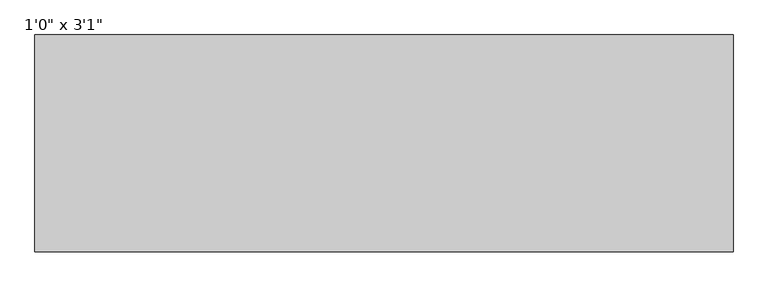
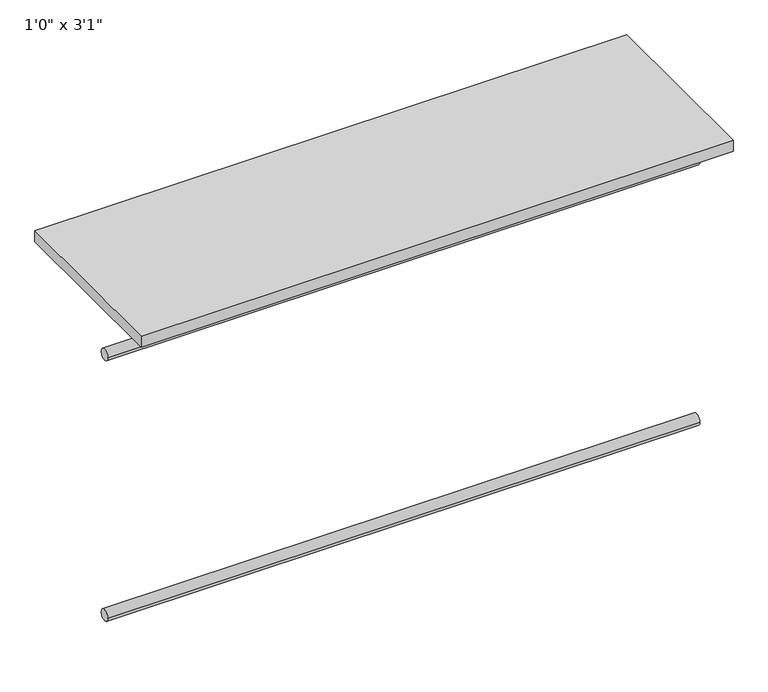
"""IFC4 building model written with IfcOpenShell, lengths in millimetres: furniture geometry."""

from ifc_helpers import new_model, si_unit, point, frame, frame_2d, origin, origin_with_axes, place, context, project, spatial, polyline, circle_curve, trimmed, segment, composite_curve, outline, extrude, source, transform, mapped, element, save


def furniture_11acc24e(model_context):
    return source(origin(), model_context, "Body", "SweptSolid", [
        extrude(outline(composite_curve([segment(trimmed(circle_curve(frame_2d((342.9, -711.2)), 12.7), [point((330.2, -711.2))], [point((355.6, -711.2))], False, "CARTESIAN"), True, "CONTINUOUS"), segment(trimmed(circle_curve(frame_2d((342.9, -711.2)), 12.7), [point((355.6, -711.2))], [point((330.2, -711.2))], False, "CARTESIAN"), True, "CONTINUOUS")], self_intersect=False)), frame((-635.9998081, 0.0, 0.0), z_axis=(1.0, 0.0, 0.0), x_axis=(0.0, 1.0, 0.0)), (0.0, 0.0, 1.0), 1309.4750261),
        extrude(outline(composite_curve([segment(trimmed(circle_curve(frame_2d((342.9, -101.6)), 12.7), [point((330.2, -101.6))], [point((355.6, -101.6))], False, "CARTESIAN"), True, "CONTINUOUS"), segment(trimmed(circle_curve(frame_2d((342.9, -101.6)), 12.7), [point((355.6, -101.6))], [point((330.2, -101.6))], False, "CARTESIAN"), True, "CONTINUOUS")], self_intersect=False)), frame((-635.9998081, 0.0, 0.0), z_axis=(1.0, 0.0, 0.0), x_axis=(0.0, 1.0, 0.0)), (0.0, 0.0, 1.0), 1309.4750261),
        extrude(outline(polyline([(673.475218, 203.2), (-635.9998081, 203.2), (-635.9998081, 609.6), (673.475218, 609.6), (673.475218, 203.2)])), origin_with_axes(), (0.0, 0.0, 1.0), 25.4),
    ])


if __name__ == "__main__":
    model = new_model("IFC4")
    model_context = context("Model", 3, world=origin())
    ifc_project = project(units=[si_unit("LENGTHUNIT", "METRE", prefix="MILLI")], contexts=[model_context])
    site = spatial("IfcSite", under=ifc_project)
    building = spatial("IfcBuilding", under=site)
    placement = place(None, origin())
    furniture_shape = furniture_11acc24e(model_context)
    element("IfcFurniture", 1, ObjectType="1'0\" x 3'1\"", at=placement, inside=building, context=model_context, shape_type="MappedRepresentation", body=[
        mapped(furniture_shape, transform((0.0, 0.0, 0.0), x_axis=(1.0, 0.0, 0.0), y_axis=(0.0, 1.0, 0.0), z_axis=(0.0, 0.0, 1.0))),
    ])
    save(model, "model.ifc")
